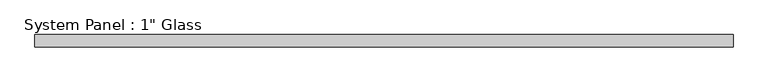
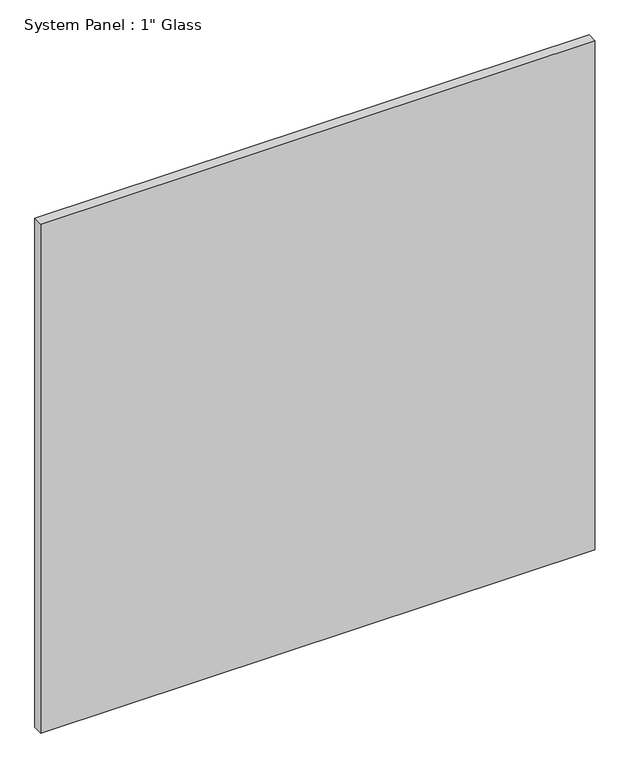
"""IFC4 building model written with IfcOpenShell, lengths in millimetres: plate geometry."""

from ifc_helpers import new_model, si_unit, origin, origin_with_axes, place, context, project, spatial, polyline, outline, extrude, source, transform, mapped, element, save


def plate_4505b345(model_context):
    return source(origin(), model_context, "Body", "SweptSolid", [
        extrude(outline(polyline([(717.5508852, -12.7), (-717.5508852, -12.7), (-717.5508852, 12.7), (717.5508852, 12.7), (717.5508852, -12.7)])), origin_with_axes(), (0.0, 0.0, 1.0), 1393.1917704),
    ])


if __name__ == "__main__":
    model = new_model("IFC4")
    model_context = context("Model", 3, world=origin())
    ifc_project = project(units=[si_unit("LENGTHUNIT", "METRE", prefix="MILLI")], contexts=[model_context])
    site = spatial("IfcSite", under=ifc_project)
    building = spatial("IfcBuilding", under=site)
    placement = place(None, origin())
    plate_shape = plate_4505b345(model_context)
    element("IfcPlate", 1, ObjectType="System Panel : 1\" Glass", at=placement, inside=building, context=model_context, shape_type="MappedRepresentation", body=[
        mapped(plate_shape, transform((0.0, 0.0, 0.0), x_axis=(1.0, 0.0, 0.0), y_axis=(0.0, 1.0, 0.0), z_axis=(0.0, 0.0, 1.0))),
    ])
    save(model, "model.ifc")
